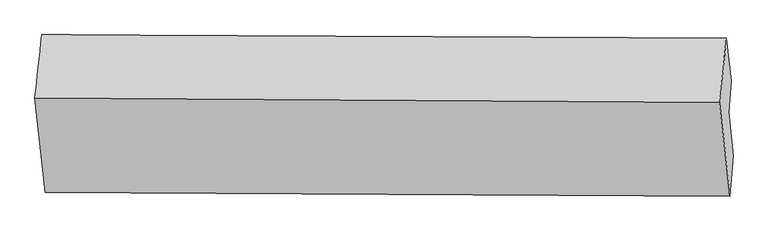
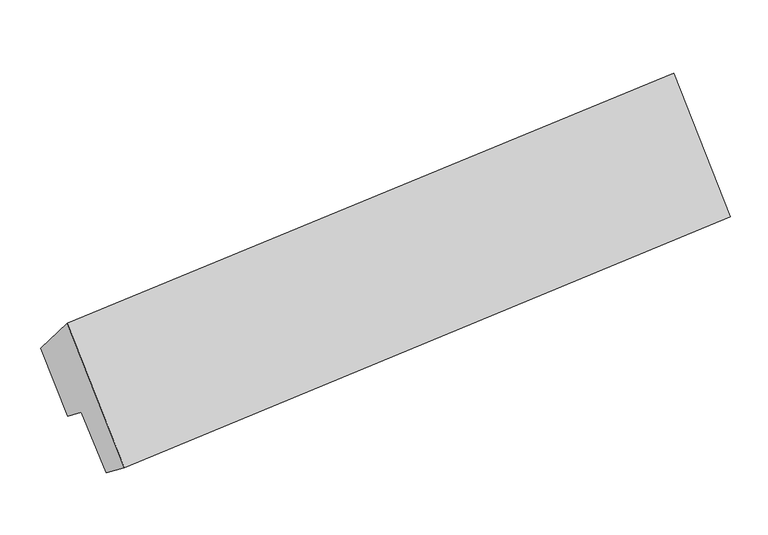
"""IFC4 building model written with IfcOpenShell, lengths in millimetres: proxy geometry."""

from ifc_helpers import new_model, si_unit, frame, origin, place, context, project, spatial, source, transform, mapped, element, save
from ifc_brep_helpers import plane_surface, spline_surface, advanced_brep


def generic_models_9fe50282(model_context):
    return source(origin(), model_context, "Body", "AdvancedBrep", [
        advanced_brep(
        [(-6168.1667566, -756.7352763, 1850.4459893), (-6234.4269427, -1367.6543985, 2528.041303), (348.0934202, -1411.2386968, 3132.4323531), (411.7016326, -789.6555713, 2484.4891231), (-6134.9865459, -2272.776385, 1379.7490779), (446.8552776, -2310.1845114, 1991.9755913), (-6103.8948951, -1876.0560926, 1069.7334868), (477.2444786, -1922.4272706, 1688.9641434), (-6144.4737894, -1477.6386106, 1540.4157445), (434.0375209, -1498.2065619, 2190.129805), (-6121.3629363, -1182.750942, 1309.9768769), (457.148374, -1203.3188932, 1959.6909373)],
        [
            (0, 1),
            (1, 2),
            (2, 3),
            (3, 0),
            (1, 4),
            (4, 5),
            (5, 2),
            (4, 6),
            (6, 7),
            (7, 5),
            (6, 8),
            (8, 9),
            (9, 7),
            (8, 10),
            (10, 11),
            (11, 9),
            (10, 0),
            (3, 11),
        ],
        [
            spline_surface(1, 1, [[(-6168.1667566, -756.7352763, 1850.4459893), (411.7016326, -789.6555713, 2484.4891231)], [(-6234.4269427, -1367.6543985, 2528.041303), (348.0934202, -1411.2386968, 3132.4323531)]], [2, 2], [2, 2], [0.0, 1.0], [0.0, 1.0]),
            plane_surface(frame((-6184.7067443, -1820.2153918, 1953.8951905), z_axis=(-0.061635533915048786, -0.7864512317565224, 0.6145693785307367), x_axis=(0.06785394560820243, -0.6176171855973409, -0.7835463318274287))),
            plane_surface(frame((-6119.4407205, -2074.4162388, 1224.7412824), z_axis=(0.06936027541186009, -0.6176264531415399, -0.7834071205794546), x_axis=(0.06163553391504954, 0.7864512317565211, -0.614569378530738))),
            plane_surface(frame((-6124.1843423, -1676.8473516, 1305.0746156), z_axis=(0.06573430822934659, 0.7644047040069641, -0.6413769946089704), x_axis=(-0.06566156170525281, 0.6446877020646965, 0.7616208545733032))),
            plane_surface(frame((-6132.9183628, -1330.1947763, 1425.1963107), z_axis=(0.07538383503642618, -0.6176493885373218, -0.7828323640822943), x_axis=(0.06163553391504941, 0.7864512317565208, -0.6145693785307386))),
            plane_surface(frame((-6144.7648464, -969.7431091, 1580.2114331), z_axis=(0.06314187083409747, 0.7864403576104531, -0.6144303606342326), x_axis=(-0.06785394560822725, 0.6176171855973409, 0.7835463318274265))),
            plane_surface(frame((429.1801173, -1522.5052509, 2241.2803255), z_axis=(0.9957895877264448, -0.006593339326055152, 0.09143098409253256), x_axis=(0.06163553391504941, 0.7864512317565208, -0.6145693785307386))),
            plane_surface(frame((-6151.2186443, -1488.9352842, 1613.0604131), z_axis=(-0.9957895877264462, 0.006593339326068738, -0.09143098409251552), x_axis=(0.06785394560820483, -0.6176171855973491, -0.783546331827422))),
        ],
        [
            (0, [[1, 2, 3, 4]]),
            (1, [[5, 6, 7, -2]]),
            (2, [[8, 9, 10, -6]]),
            (3, [[11, 12, 13, -9]]),
            (4, [[14, 15, 16, -12]]),
            (5, [[17, -4, 18, -15]]),
            (6, [[-16, -18, -3, -7, -10, -13]]),
            (7, [[-17, -14, -11, -8, -5, -1]]),
        ],
    ),
    ])


if __name__ == "__main__":
    model = new_model("IFC4")
    model_context = context("Model", 3, world=origin())
    ifc_project = project(units=[si_unit("LENGTHUNIT", "METRE", prefix="MILLI")], contexts=[model_context])
    site = spatial("IfcSite", under=ifc_project)
    building = spatial("IfcBuilding", under=site)
    placement = place(None, origin())
    generic_models_shape = generic_models_9fe50282(model_context)
    element("IfcBuildingElementProxy", 1, Name="Generic Models", at=placement, inside=building, context=model_context, shape_type="MappedRepresentation", body=[
        mapped(generic_models_shape, transform((0.0, 0.0, 0.0), x_axis=(1.0, 0.0, 0.0), y_axis=(0.0, 1.0, 0.0), z_axis=(0.0, 0.0, 1.0))),
    ])
    save(model, "model.ifc")
